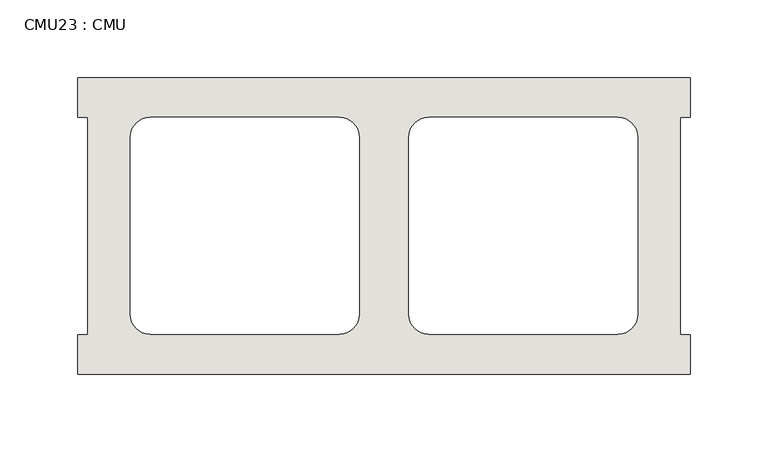
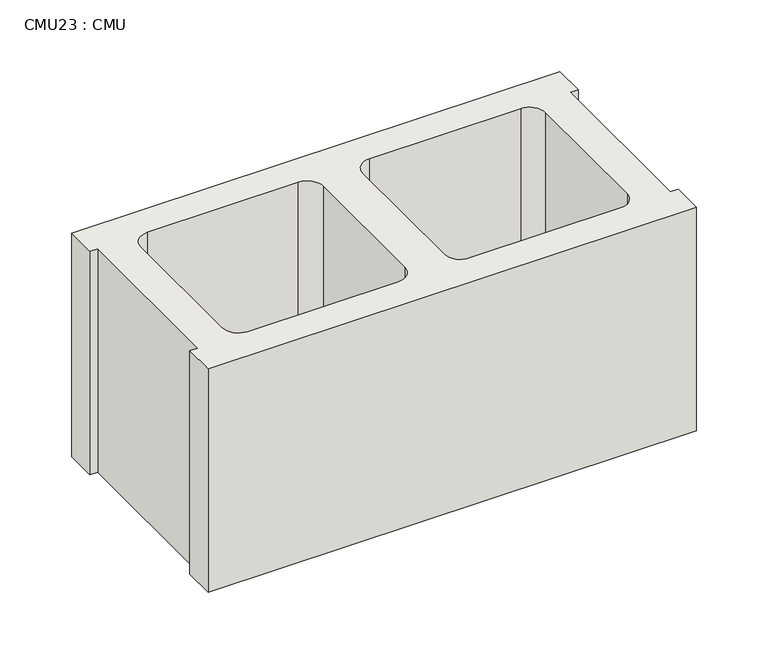
"""IFC4 building model written with IfcOpenShell, lengths in millimetres: wall geometry, CMU23 : CMU."""

from ifc_helpers import new_model, si_unit, point, frame, frame_2d, origin, place, context, project, spatial, polyline, circle_curve, trimmed, segment, composite_curve, outline, extrude, source, transform, mapped, element, save


def cmu23_cmu_2b1404f7(model_context):
    return source(origin(), model_context, "Body", "SweptSolid", [
        extrude(outline(polyline([(1168.1060968, 2871.3003704), (1561.8060968, 2871.3003704), (1561.8060968, 2845.9003704), (1555.4560968, 2845.9003704), (1555.4560968, 2706.2003704), (1561.8060968, 2706.2003704), (1561.8060968, 2680.8003704), (1168.1060968, 2680.8003704), (1168.1060968, 2706.2003704), (1174.4560968, 2706.2003704), (1174.4560968, 2845.9003704), (1168.1060968, 2845.9003704), (1168.1060968, 2871.3003704)]), holes=[composite_curve([segment(polyline([(1336.2740955, 2845.9003704), (1214.5574454, 2845.9003704)]), True, "CONTINUOUS"), segment(trimmed(circle_curve(frame_2d((1214.5574454, 2833.2003704)), 12.7), [point((1214.5574454, 2845.9003704))], [point((1201.8574454, 2833.2003704))], True, "CARTESIAN"), True, "CONTINUOUS"), segment(polyline([(1201.8574454, 2833.2003704), (1201.8574454, 2719.1345307)]), True, "CONTINUOUS"), segment(trimmed(circle_curve(frame_2d((1214.5574454, 2719.1345307)), 12.7), [point((1201.8574454, 2719.1345307))], [point((1214.5574454, 2706.4345307))], True, "CARTESIAN"), True, "CONTINUOUS"), segment(polyline([(1214.5574454, 2706.4345307), (1336.2740955, 2706.4345307)]), True, "CONTINUOUS"), segment(trimmed(circle_curve(frame_2d((1336.2740955, 2719.1345307)), 12.7), [point((1336.2740955, 2706.4345307))], [point((1348.9740955, 2719.1345307))], True, "CARTESIAN"), True, "CONTINUOUS"), segment(polyline([(1348.9740955, 2719.1345307), (1348.9740955, 2833.2003704)]), True, "CONTINUOUS"), segment(trimmed(circle_curve(frame_2d((1336.2740955, 2833.2003704)), 12.7), [point((1348.9740955, 2833.2003704))], [point((1336.2740955, 2845.9003704))], True, "CARTESIAN"), True, "CONTINUOUS")], self_intersect=False), composite_curve([segment(trimmed(circle_curve(frame_2d((1393.6380982, 2833.2003704)), 12.7), [point((1393.6380982, 2845.9003704))], [point((1380.9380982, 2833.2003704))], True, "CARTESIAN"), True, "CONTINUOUS"), segment(polyline([(1380.9380982, 2833.2003704), (1380.9380982, 2719.1345307)]), True, "CONTINUOUS"), segment(trimmed(circle_curve(frame_2d((1393.6380982, 2719.1345307)), 12.7), [point((1380.9380982, 2719.1345307))], [point((1393.6380982, 2706.4345307))], True, "CARTESIAN"), True, "CONTINUOUS"), segment(polyline([(1393.6380982, 2706.4345307), (1515.3547483, 2706.4345307)]), True, "CONTINUOUS"), segment(trimmed(circle_curve(frame_2d((1515.3547483, 2719.1345307)), 12.7), [point((1515.3547483, 2706.4345307))], [point((1528.0547483, 2719.1345307))], True, "CARTESIAN"), True, "CONTINUOUS"), segment(polyline([(1528.0547483, 2719.1345307), (1528.0547483, 2833.2003704)]), True, "CONTINUOUS"), segment(trimmed(circle_curve(frame_2d((1515.3547483, 2833.2003704)), 12.7), [point((1528.0547483, 2833.2003704))], [point((1515.3547483, 2845.9003704))], True, "CARTESIAN"), True, "CONTINUOUS"), segment(polyline([(1515.3547483, 2845.9003704), (1393.6380982, 2845.9003704)]), True, "CONTINUOUS")], self_intersect=False)]), frame((0.0, 0.0, 203.2), z_axis=(0.0, 0.0, 1.0), x_axis=(1.0, 0.0, 0.0)), (0.0, 0.0, 1.0), 190.5),
    ])


if __name__ == "__main__":
    model = new_model("IFC4")
    model_context = context("Model", 3, world=origin())
    ifc_project = project(units=[si_unit("LENGTHUNIT", "METRE", prefix="MILLI")], contexts=[model_context])
    site = spatial("IfcSite", under=ifc_project)
    building = spatial("IfcBuilding", under=site)
    placement = place(None, origin())
    cmu23_cmu_shape = cmu23_cmu_2b1404f7(model_context)
    element("IfcWall", 1, ObjectType="CMU23 : CMU", at=placement, inside=building, context=model_context, shape_type="MappedRepresentation", body=[
        mapped(cmu23_cmu_shape, transform((0.0, 0.0, 0.0), x_axis=(1.0, 0.0, 0.0), y_axis=(0.0, 1.0, 0.0), z_axis=(0.0, 0.0, 1.0))),
    ])
    save(model, "model.ifc")
